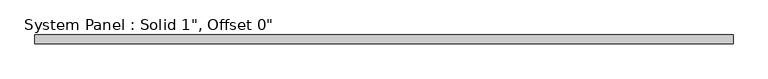
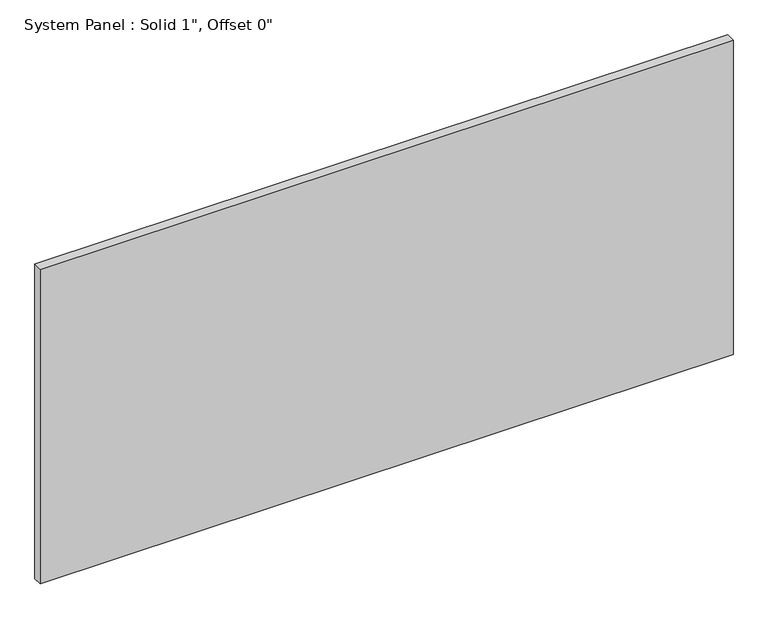
"""IFC4 building model written with IfcOpenShell, lengths in millimetres: plate geometry."""

from ifc_helpers import new_model, si_unit, origin, origin_with_axes, place, context, project, spatial, polyline, outline, extrude, source, transform, mapped, element, save


def plate_4eb2afed(model_context):
    return source(origin(), model_context, "Body", "SweptSolid", [
        extrude(outline(polyline([(976.1660647, -12.7), (-976.1660647, -12.7), (-976.1660647, 12.7), (976.1660647, 12.7), (976.1660647, -12.7)])), origin_with_axes(), (0.0, 0.0, 1.0), 937.2995022),
    ])


if __name__ == "__main__":
    model = new_model("IFC4")
    model_context = context("Model", 3, world=origin())
    ifc_project = project(units=[si_unit("LENGTHUNIT", "METRE", prefix="MILLI")], contexts=[model_context])
    site = spatial("IfcSite", under=ifc_project)
    building = spatial("IfcBuilding", under=site)
    placement = place(None, origin())
    plate_shape = plate_4eb2afed(model_context)
    element("IfcPlate", 1, ObjectType="System Panel : Solid 1\", Offset 0\"", at=placement, inside=building, context=model_context, shape_type="MappedRepresentation", body=[
        mapped(plate_shape, transform((0.0, 0.0, 0.0), x_axis=(1.0, 0.0, 0.0), y_axis=(0.0, 1.0, 0.0), z_axis=(0.0, 0.0, 1.0))),
    ])
    save(model, "model.ifc")
